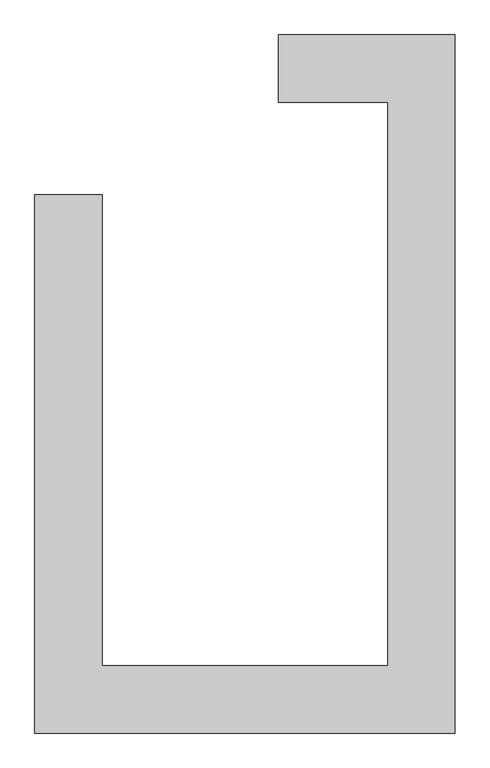
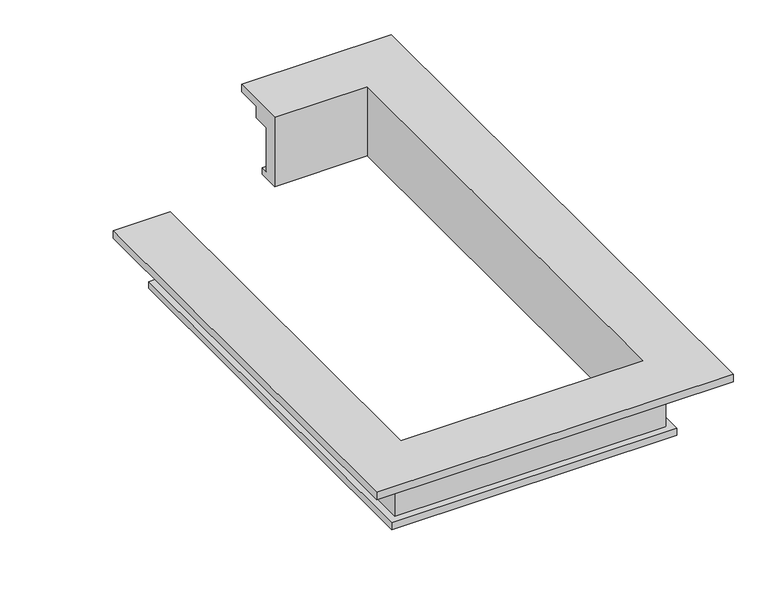
"""IFC4 building model written with IfcOpenShell, lengths in millimetres: beam geometry."""

from ifc_helpers import new_model, si_unit, origin, place, context, project, spatial, faceted_brep, source, transform, mapped, element, save


def beam_198a0c96(model_context):
    return source(origin(), model_context, "Body", "Brep", [
        faceted_brep([(1332.0511192, 5351.187898, 10270.0), (1332.0511192, 5351.187898, 9620.0), (1332.0511192, 5451.187898, 9620.0), (1332.0511192, 5451.187898, 9520.0), (1332.0511192, 5151.187898, 9520.0), (1332.0511192, 5151.187898, 10550.0), (1332.0511192, 5951.187898, 10550.0), (1332.0511192, 5951.187898, 10440.0), (1332.0511192, 5601.187898, 10440.0), (1332.0511192, 5601.187898, 10270.0), (2832.0511192, 5351.187898, 9620.0), (2832.0511192, -1748.812102, 9620.0), (-967.9488808, -1748.812102, 9620.0), (-967.9488808, 4051.1929483, 9620.0), (-1067.9488808, 4051.1929483, 9620.0), (-1067.9488808, -1848.812102, 9620.0), (2932.0511192, -1848.812102, 9620.0), (2932.0511192, 5451.187898, 9620.0), (2932.0511192, 5451.187898, 9520.0), (2932.0511192, -1848.812102, 9520.0), (-1067.9488808, -1848.812102, 9520.0), (-1067.9488808, 4051.1929483, 9520.0), (-767.9488808, 4051.1929483, 9520.0), (-767.9488808, -1548.812102, 9520.0), (2632.0511192, -1548.812102, 9520.0), (2632.0511192, 5151.187898, 9520.0), (2632.0511192, 5151.187898, 10550.0), (2632.0511192, -1548.812102, 10550.0), (-767.9488808, -1548.812102, 10550.0), (-767.9488808, 4051.1929483, 10550.0), (-1567.9488808, 4051.1929483, 10550.0), (-1567.9488808, -2348.812102, 10550.0), (3432.0511192, -2348.812102, 10550.0), (3432.0511192, 5951.187898, 10550.0), (3432.0511192, 5951.187898, 10440.0), (3432.0511192, -2348.812102, 10440.0), (-1567.9488808, -2348.812102, 10440.0), (-1567.9488808, 4051.1929483, 10440.0), (-1217.9488808, 4051.1929483, 10440.0), (-1217.9488808, -1998.812102, 10440.0), (3082.0511192, -1998.812102, 10440.0), (3082.0511192, 5601.187898, 10440.0), (3082.0511192, 5601.187898, 10270.0), (3082.0511192, -1998.812102, 10270.0), (-1217.9488808, -1998.812102, 10270.0), (-1217.9488808, 4051.1929483, 10270.0), (-967.9488808, 4051.1929483, 10270.0), (-967.9488808, -1748.812102, 10270.0), (2832.0511192, -1748.812102, 10270.0), (2832.0511192, 5351.187898, 10270.0)], [[[0, 1, 2, 3, 4, 5, 6, 7, 8, 9]], [[2, 1, 10, 11, 12, 13, 14, 15, 16, 17]], [[3, 2, 17, 18]], [[4, 3, 18, 19, 20, 21, 22, 23, 24, 25]], [[5, 4, 25, 26]], [[6, 5, 26, 27, 28, 29, 30, 31, 32, 33]], [[7, 6, 33, 34]], [[8, 7, 34, 35, 36, 37, 38, 39, 40, 41]], [[9, 8, 41, 42]], [[0, 9, 42, 43, 44, 45, 46, 47, 48, 49]], [[0, 49, 10, 1]], [[18, 17, 16, 19]], [[26, 25, 24, 27]], [[34, 33, 32, 35]], [[42, 41, 40, 43]], [[10, 49, 48, 11]], [[19, 16, 15, 20]], [[27, 24, 23, 28]], [[35, 32, 31, 36]], [[43, 40, 39, 44]], [[11, 48, 47, 12]], [[13, 46, 45, 38, 37, 30, 29, 22, 21, 14]], [[20, 15, 14, 21]], [[28, 23, 22, 29]], [[36, 31, 30, 37]], [[44, 39, 38, 45]], [[12, 47, 46, 13]]]),
    ])


if __name__ == "__main__":
    model = new_model("IFC4")
    model_context = context("Model", 3, world=origin())
    ifc_project = project(units=[si_unit("LENGTHUNIT", "METRE", prefix="MILLI")], contexts=[model_context])
    site = spatial("IfcSite", under=ifc_project)
    building = spatial("IfcBuilding", under=site)
    placement = place(None, origin())
    beam_shape = beam_198a0c96(model_context)
    element("IfcBeam", 1, at=placement, inside=building, context=model_context, shape_type="MappedRepresentation", body=[
        mapped(beam_shape, transform((0.0, 0.0, 0.0), x_axis=(1.0, 0.0, 0.0), y_axis=(0.0, 1.0, 0.0), z_axis=(0.0, 0.0, 1.0))),
    ])
    save(model, "model.ifc")
